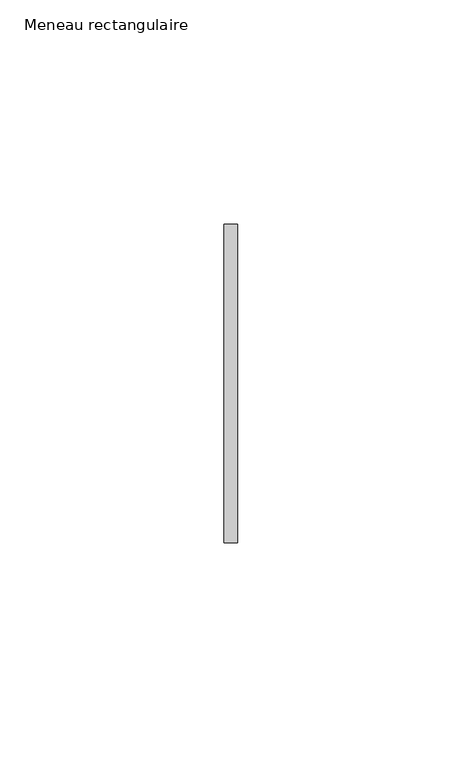
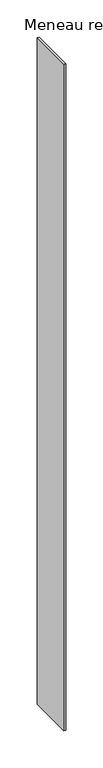
"""IFC4 building model written with IfcOpenShell, lengths in millimetres: member geometry, Meneau rectangulaire."""

from ifc_helpers import new_model, si_unit, frame, origin, place, context, project, spatial, polyline, outline, extrude, source, transform, mapped, element, save


def meneau_rectangulaire_7fdfbbac(model_context):
    return source(origin(), model_context, "Body", "SweptSolid", [
        extrude(outline(polyline([(-1.5, 35.5), (1.5, 35.5), (1.5, -35.5), (-1.5, -35.5), (-1.5, 35.5)])), frame((0.0, 0.0, -1091.2500002), z_axis=(0.0, 0.0, 1.0), x_axis=(1.0, 0.0, 0.0)), (0.0, 0.0, 1.0), 1091.2500002),
    ])


if __name__ == "__main__":
    model = new_model("IFC4")
    model_context = context("Model", 3, world=origin())
    ifc_project = project(units=[si_unit("LENGTHUNIT", "METRE", prefix="MILLI")], contexts=[model_context])
    site = spatial("IfcSite", under=ifc_project)
    building = spatial("IfcBuilding", under=site)
    placement = place(None, origin())
    meneau_rectangulaire_shape = meneau_rectangulaire_7fdfbbac(model_context)
    element("IfcMember", 1, ObjectType="Meneau rectangulaire", at=placement, inside=building, context=model_context, shape_type="MappedRepresentation", body=[
        mapped(meneau_rectangulaire_shape, transform((0.0, 0.0, 0.0), x_axis=(1.0, 0.0, 0.0), y_axis=(0.0, 1.0, 0.0), z_axis=(0.0, 0.0, 1.0))),
    ])
    save(model, "model.ifc")
